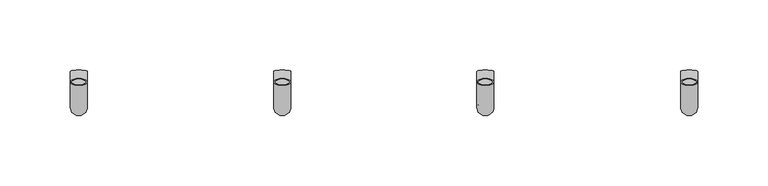
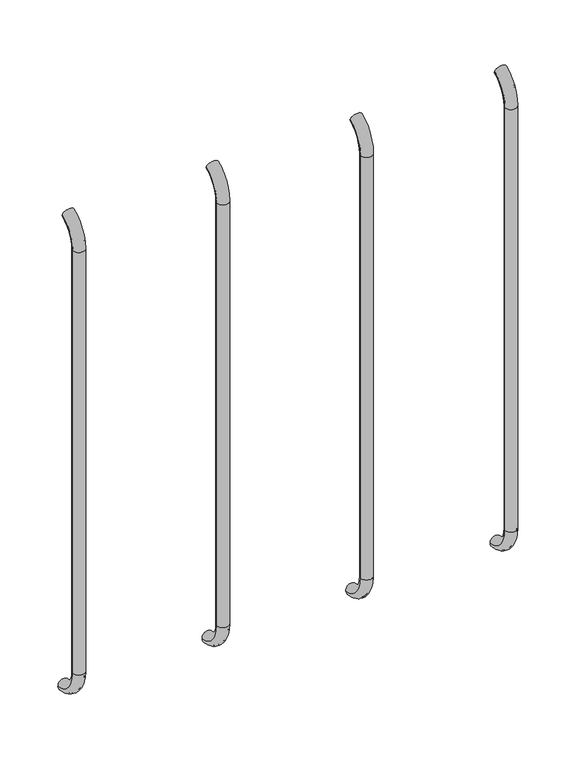
"""IFC4 building model written with IfcOpenShell, lengths in millimetres: beam geometry."""

from ifc_helpers import new_model, si_unit, point, frame, origin, place, context, project, spatial, polyline, circle_curve, ellipse_curve, trimmed, source, transform, mapped, element, save
from ifc_brep_helpers import plane_surface, cylinder_surface, revolved_surface, advanced_brep


def beam_747de0bf(model_context):
    return source(origin(), model_context, "Body", "AdvancedBrep", [
        advanced_brep(
        [(1286.5883695, 2382.596845, 1917.1908893), (1274.5883695, 2382.596845, 1917.1908893), (1285.5883695, 2382.596845, 1917.1908893), (1275.5883695, 2382.596845, 1917.1908893), (1285.5883695, 2364.5202281, 1889.6621238), (1275.5883695, 2364.5202281, 1889.6621238), (1286.5883695, 2364.5202281, 1889.6621238), (1274.5883695, 2364.5202281, 1889.6621238), (1275.5883695, 2364.5202281, 1440.7084898), (1285.5883695, 2364.5202281, 1440.7084898), (1274.5883695, 2364.5202281, 1440.7084898), (1286.5883695, 2364.5202281, 1440.7084898), (1286.5883695, 2390.1398042, 1411.0300146), (1274.5883695, 2390.1398042, 1411.0300146), (1285.5883695, 2390.1398042, 1411.0300146), (1275.5883695, 2390.1398042, 1411.0300146)],
        [
            (0, 1, circle_curve(frame((1280.5883695, 2382.596845, 1917.1908893), z_axis=(0.0, 0.9176255197351176, 0.3974461039321624), x_axis=(-1.0, 0.0, 0.0)), 6.0)),
            (1, 0, circle_curve(frame((1280.5883695, 2382.596845, 1917.1908893), z_axis=(0.0, 0.9176255197351176, 0.3974461039321624), x_axis=(-1.0, 0.0, 0.0)), 6.0)),
            (2, 3, circle_curve(frame((1280.5883695, 2382.596845, 1917.1908893), z_axis=(0.0, -0.9176255197351176, -0.3974461039321624), x_axis=(-1.0, 0.0, 0.0)), 5.0)),
            (3, 2, circle_curve(frame((1280.5883695, 2382.596845, 1917.1908893), z_axis=(0.0, -0.9176255197351176, -0.3974461039321624), x_axis=(-1.0, 0.0, 0.0)), 5.0)),
            (4, 2, circle_curve(frame((1285.5883695, 2394.5202281, 1889.6621238), z_axis=(-1.0, 0.0, 0.0), x_axis=(0.0, -0.3974461039321624, 0.9176255197351176)), 30.0)),
            (3, 5, circle_curve(frame((1275.5883695, 2394.5202281, 1889.6621238), z_axis=(1.0, 0.0, 0.0), x_axis=(0.0, -0.3974461039321624, 0.9176255197351176)), 30.0)),
            (5, 4, circle_curve(frame((1280.5883695, 2364.5202281, 1889.6621238), z_axis=(0.0, 0.0, -1.0), x_axis=(-1.0, 0.0, 0.0)), 5.0)),
            (4, 5, circle_curve(frame((1280.5883695, 2364.5202281, 1889.6621238), z_axis=(0.0, 0.0, -1.0), x_axis=(-1.0, 0.0, 0.0)), 5.0)),
            (6, 0, circle_curve(frame((1286.5883695, 2394.5202281, 1889.6621238), z_axis=(-1.0, 0.0, 0.0), x_axis=(0.0, -0.3974461039321624, 0.9176255197351176)), 30.0)),
            (1, 7, circle_curve(frame((1274.5883695, 2394.5202281, 1889.6621238), z_axis=(1.0, 0.0, 0.0), x_axis=(0.0, -0.3974461039321624, 0.9176255197351176)), 30.0)),
            (7, 6, circle_curve(frame((1280.5883695, 2364.5202281, 1889.6621238), z_axis=(0.0, 0.0, 1.0), x_axis=(-1.0, 0.0, 0.0)), 6.0)),
            (6, 7, circle_curve(frame((1280.5883695, 2364.5202281, 1889.6621238), z_axis=(0.0, 0.0, 1.0), x_axis=(-1.0, 0.0, 0.0)), 6.0)),
            (5, 8),
            (8, 9, circle_curve(frame((1280.5883695, 2364.5202281, 1440.7084898), z_axis=(0.0, 0.0, -1.0), x_axis=(-1.0, 0.0, 0.0)), 5.0)),
            (9, 4),
            (9, 8, circle_curve(frame((1280.5883695, 2364.5202281, 1440.7084898), z_axis=(0.0, 0.0, -1.0), x_axis=(-1.0, 0.0, 0.0)), 5.0)),
            (7, 10),
            (10, 11, circle_curve(frame((1280.5883695, 2364.5202281, 1440.7084898), z_axis=(0.0, 0.0, 1.0), x_axis=(-1.0, 0.0, 0.0)), 6.0)),
            (11, 6),
            (11, 10, circle_curve(frame((1280.5883695, 2364.5202281, 1440.7084898), z_axis=(0.0, 0.0, 1.0), x_axis=(-1.0, 0.0, 0.0)), 6.0)),
            (12, 13, circle_curve(frame((1280.5883695, 2390.1398042, 1411.0300146), z_axis=(0.0, 0.9892825047438852, -0.14601412879466394), x_axis=(-1.0, 0.0, 0.0)), 6.0)),
            (13, 12, circle_curve(frame((1280.5883695, 2390.1398042, 1411.0300146), z_axis=(0.0, 0.9892825047438852, -0.14601412879466394), x_axis=(-1.0, 0.0, 0.0)), 6.0)),
            (14, 15, circle_curve(frame((1280.5883695, 2390.1398042, 1411.0300146), z_axis=(0.0, -0.9892825047438852, 0.14601412879466394), x_axis=(-1.0, 0.0, 0.0)), 5.0)),
            (15, 14, circle_curve(frame((1280.5883695, 2390.1398042, 1411.0300146), z_axis=(0.0, -0.9892825047438852, 0.14601412879466394), x_axis=(-1.0, 0.0, 0.0)), 5.0)),
            (14, 9, circle_curve(frame((1285.5883695, 2394.5202281, 1440.7084898), z_axis=(-1.0, 0.0, 0.0), x_axis=(0.0, -1.0, 0.0)), 30.0)),
            (8, 15, circle_curve(frame((1275.5883695, 2394.5202281, 1440.7084898), z_axis=(1.0, 0.0, 0.0), x_axis=(0.0, -1.0, 0.0)), 30.0)),
            (12, 11, circle_curve(frame((1286.5883695, 2394.5202281, 1440.7084898), z_axis=(-1.0, 0.0, 0.0), x_axis=(0.0, -1.0, 0.0)), 30.0)),
            (10, 13, circle_curve(frame((1274.5883695, 2394.5202281, 1440.7084898), z_axis=(1.0, 0.0, 0.0), x_axis=(0.0, -1.0, 0.0)), 30.0)),
        ],
        [
            plane_surface(frame((1280.5883695, 2382.596845, 1917.1908893), z_axis=(0.0, 0.9176255197351176, 0.3974461039321624), x_axis=(-1.0, 0.0, 0.0))),
            revolved_surface(trimmed(ellipse_curve(frame((1280.5883695, 2382.596845, 1917.1908893), z_axis=(0.0, -0.9176255197351176, -0.3974461039321624), x_axis=(-1.0, 0.0, 0.0)), 5.0, 5.0), [point((1275.5883695, 2382.596845, 1917.1908893))], [point((1285.5883695, 2382.596845, 1917.1908893))], True, "CARTESIAN"), (1280.5883695, 2394.5202281, 1889.6621238), (1.0, 0.0, 0.0)),
            revolved_surface(trimmed(ellipse_curve(frame((1280.5883695, 2382.596845, 1917.1908893), z_axis=(0.0, -0.9176255197351176, -0.3974461039321624), x_axis=(-1.0, 0.0, 0.0)), 5.0, 5.0), [point((1285.5883695, 2382.596845, 1917.1908893))], [point((1275.5883695, 2382.596845, 1917.1908893))], True, "CARTESIAN"), (1280.5883695, 2394.5202281, 1889.6621238), (1.0, 0.0, 0.0)),
            revolved_surface(trimmed(ellipse_curve(frame((1280.5883695, 2382.596845, 1917.1908893), z_axis=(0.0, 0.9176255197351176, 0.3974461039321624), x_axis=(-1.0, 0.0, 0.0)), 6.0, 6.0), [point((1274.5883695, 2382.596845, 1917.1908893))], [point((1286.5883695, 2382.596845, 1917.1908893))], True, "CARTESIAN"), (1280.5883695, 2394.5202281, 1889.6621238), (1.0, 0.0, 0.0)),
            revolved_surface(trimmed(ellipse_curve(frame((1280.5883695, 2382.596845, 1917.1908893), z_axis=(0.0, 0.9176255197351176, 0.3974461039321624), x_axis=(-1.0, 0.0, 0.0)), 6.0, 6.0), [point((1286.5883695, 2382.596845, 1917.1908893))], [point((1274.5883695, 2382.596845, 1917.1908893))], True, "CARTESIAN"), (1280.5883695, 2394.5202281, 1889.6621238), (1.0, 0.0, 0.0)),
            revolved_surface(polyline([(1275.5883695, 2364.5202281, 1440.7084898), (1275.5883695, 2364.5202281, 1889.6621238)]), (1280.5883695, 2364.5202281, 1889.6621238), (0.0, 0.0, -1.0)),
            cylinder_surface(frame((1280.5883695, 2364.5202281, 1889.6621238), z_axis=(0.0, 0.0, 1.0), x_axis=(-1.0, 0.0, 0.0)), 6.0),
            plane_surface(frame((1280.5883695, 2390.1398042, 1411.0300146), z_axis=(0.0, 0.9892825047438852, -0.14601412879466397), x_axis=(-1.0, 0.0, 0.0))),
            revolved_surface(trimmed(ellipse_curve(frame((1280.5883695, 2364.5202281, 1440.7084898), z_axis=(0.0, 0.0, -1.0), x_axis=(-1.0, 0.0, 0.0)), 5.0, 5.0), [point((1275.5883695, 2364.5202281, 1440.7084898))], [point((1285.5883695, 2364.5202281, 1440.7084898))], True, "CARTESIAN"), (1280.5883695, 2394.5202281, 1440.7084898), (1.0, 0.0, 0.0)),
            revolved_surface(trimmed(ellipse_curve(frame((1280.5883695, 2364.5202281, 1440.7084898), z_axis=(0.0, 0.0, -1.0), x_axis=(-1.0, 0.0, 0.0)), 5.0, 5.0), [point((1285.5883695, 2364.5202281, 1440.7084898))], [point((1275.5883695, 2364.5202281, 1440.7084898))], True, "CARTESIAN"), (1280.5883695, 2394.5202281, 1440.7084898), (1.0, 0.0, 0.0)),
            revolved_surface(trimmed(ellipse_curve(frame((1280.5883695, 2364.5202281, 1440.7084898), z_axis=(0.0, 0.0, 1.0), x_axis=(-1.0, 0.0, 0.0)), 6.0, 6.0), [point((1274.5883695, 2364.5202281, 1440.7084898))], [point((1286.5883695, 2364.5202281, 1440.7084898))], True, "CARTESIAN"), (1280.5883695, 2394.5202281, 1440.7084898), (1.0, 0.0, 0.0)),
            revolved_surface(trimmed(ellipse_curve(frame((1280.5883695, 2364.5202281, 1440.7084898), z_axis=(0.0, 0.0, 1.0), x_axis=(-1.0, 0.0, 0.0)), 6.0, 6.0), [point((1286.5883695, 2364.5202281, 1440.7084898))], [point((1274.5883695, 2364.5202281, 1440.7084898))], True, "CARTESIAN"), (1280.5883695, 2394.5202281, 1440.7084898), (1.0, 0.0, 0.0)),
        ],
        [
            (0, [[1, 2], [3, 4]]),
            (1, [[5, -4, 6, 7]]),
            (2, [[-6, -3, -5, 8]]),
            (3, [[9, -2, 10, 11]]),
            (4, [[-10, -1, -9, 12]]),
            (5, [[-7, 13, 14, 15]]),
            (5, [[-8, -15, 16, -13]]),
            (6, [[-11, 17, 18, 19]]),
            (6, [[-12, -19, 20, -17]]),
            (7, [[21, 22], [23, 24]]),
            (8, [[25, -14, 26, -23]]),
            (9, [[-26, -16, -25, -24]]),
            (10, [[27, -18, 28, -21]]),
            (11, [[-28, -20, -27, -22]]),
        ],
    ),
        advanced_brep(
        [(1431.2758695, 2382.596845, 1917.1908893), (1419.2758695, 2382.596845, 1917.1908893), (1430.2758695, 2382.596845, 1917.1908893), (1420.2758695, 2382.596845, 1917.1908893), (1430.2758695, 2364.5202281, 1889.6621238), (1420.2758695, 2364.5202281, 1889.6621238), (1431.2758695, 2364.5202281, 1889.6621238), (1419.2758695, 2364.5202281, 1889.6621238), (1420.2758695, 2364.5202281, 1440.7084898), (1430.2758695, 2364.5202281, 1440.7084898), (1419.2758695, 2364.5202281, 1440.7084898), (1431.2758695, 2364.5202281, 1440.7084898), (1431.2758695, 2390.1398042, 1411.0300146), (1419.2758695, 2390.1398042, 1411.0300146), (1430.2758695, 2390.1398042, 1411.0300146), (1420.2758695, 2390.1398042, 1411.0300146)],
        [
            (0, 1, circle_curve(frame((1425.2758695, 2382.596845, 1917.1908893), z_axis=(0.0, 0.9176255197351176, 0.3974461039321624), x_axis=(-1.0, 0.0, 0.0)), 6.0)),
            (1, 0, circle_curve(frame((1425.2758695, 2382.596845, 1917.1908893), z_axis=(0.0, 0.9176255197351176, 0.3974461039321624), x_axis=(-1.0, 0.0, 0.0)), 6.0)),
            (2, 3, circle_curve(frame((1425.2758695, 2382.596845, 1917.1908893), z_axis=(0.0, -0.9176255197351176, -0.3974461039321624), x_axis=(-1.0, 0.0, 0.0)), 5.0)),
            (3, 2, circle_curve(frame((1425.2758695, 2382.596845, 1917.1908893), z_axis=(0.0, -0.9176255197351176, -0.3974461039321624), x_axis=(-1.0, 0.0, 0.0)), 5.0)),
            (4, 2, circle_curve(frame((1430.2758695, 2394.5202281, 1889.6621238), z_axis=(-1.0, 0.0, 0.0), x_axis=(0.0, -0.3974461039321624, 0.9176255197351176)), 30.0)),
            (3, 5, circle_curve(frame((1420.2758695, 2394.5202281, 1889.6621238), z_axis=(1.0, 0.0, 0.0), x_axis=(0.0, -0.3974461039321624, 0.9176255197351176)), 30.0)),
            (5, 4, circle_curve(frame((1425.2758695, 2364.5202281, 1889.6621238), z_axis=(0.0, 0.0, -1.0), x_axis=(-1.0, 0.0, 0.0)), 5.0)),
            (4, 5, circle_curve(frame((1425.2758695, 2364.5202281, 1889.6621238), z_axis=(0.0, 0.0, -1.0), x_axis=(-1.0, 0.0, 0.0)), 5.0)),
            (6, 0, circle_curve(frame((1431.2758695, 2394.5202281, 1889.6621238), z_axis=(-1.0, 0.0, 0.0), x_axis=(0.0, -0.3974461039321624, 0.9176255197351176)), 30.0)),
            (1, 7, circle_curve(frame((1419.2758695, 2394.5202281, 1889.6621238), z_axis=(1.0, 0.0, 0.0), x_axis=(0.0, -0.3974461039321624, 0.9176255197351176)), 30.0)),
            (7, 6, circle_curve(frame((1425.2758695, 2364.5202281, 1889.6621238), z_axis=(0.0, 0.0, 1.0), x_axis=(-1.0, 0.0, 0.0)), 6.0)),
            (6, 7, circle_curve(frame((1425.2758695, 2364.5202281, 1889.6621238), z_axis=(0.0, 0.0, 1.0), x_axis=(-1.0, 0.0, 0.0)), 6.0)),
            (5, 8),
            (8, 9, circle_curve(frame((1425.2758695, 2364.5202281, 1440.7084898), z_axis=(0.0, 0.0, -1.0), x_axis=(-1.0, 0.0, 0.0)), 5.0)),
            (9, 4),
            (9, 8, circle_curve(frame((1425.2758695, 2364.5202281, 1440.7084898), z_axis=(0.0, 0.0, -1.0), x_axis=(-1.0, 0.0, 0.0)), 5.0)),
            (7, 10),
            (10, 11, circle_curve(frame((1425.2758695, 2364.5202281, 1440.7084898), z_axis=(0.0, 0.0, 1.0), x_axis=(-1.0, 0.0, 0.0)), 6.0)),
            (11, 6),
            (11, 10, circle_curve(frame((1425.2758695, 2364.5202281, 1440.7084898), z_axis=(0.0, 0.0, 1.0), x_axis=(-1.0, 0.0, 0.0)), 6.0)),
            (12, 13, circle_curve(frame((1425.2758695, 2390.1398042, 1411.0300146), z_axis=(0.0, 0.9892825047438852, -0.14601412879466394), x_axis=(-1.0, 0.0, 0.0)), 6.0)),
            (13, 12, circle_curve(frame((1425.2758695, 2390.1398042, 1411.0300146), z_axis=(0.0, 0.9892825047438852, -0.14601412879466394), x_axis=(-1.0, 0.0, 0.0)), 6.0)),
            (14, 15, circle_curve(frame((1425.2758695, 2390.1398042, 1411.0300146), z_axis=(0.0, -0.9892825047438852, 0.14601412879466394), x_axis=(-1.0, 0.0, 0.0)), 5.0)),
            (15, 14, circle_curve(frame((1425.2758695, 2390.1398042, 1411.0300146), z_axis=(0.0, -0.9892825047438852, 0.14601412879466394), x_axis=(-1.0, 0.0, 0.0)), 5.0)),
            (14, 9, circle_curve(frame((1430.2758695, 2394.5202281, 1440.7084898), z_axis=(-1.0, 0.0, 0.0), x_axis=(0.0, -1.0, 0.0)), 30.0)),
            (8, 15, circle_curve(frame((1420.2758695, 2394.5202281, 1440.7084898), z_axis=(1.0, 0.0, 0.0), x_axis=(0.0, -1.0, 0.0)), 30.0)),
            (12, 11, circle_curve(frame((1431.2758695, 2394.5202281, 1440.7084898), z_axis=(-1.0, 0.0, 0.0), x_axis=(0.0, -1.0, 0.0)), 30.0)),
            (10, 13, circle_curve(frame((1419.2758695, 2394.5202281, 1440.7084898), z_axis=(1.0, 0.0, 0.0), x_axis=(0.0, -1.0, 0.0)), 30.0)),
        ],
        [
            plane_surface(frame((1425.2758695, 2382.596845, 1917.1908893), z_axis=(0.0, 0.9176255197351176, 0.3974461039321624), x_axis=(-1.0, 0.0, 0.0))),
            revolved_surface(trimmed(ellipse_curve(frame((1425.2758695, 2382.596845, 1917.1908893), z_axis=(0.0, -0.9176255197351176, -0.3974461039321624), x_axis=(-1.0, 0.0, 0.0)), 5.0, 5.0), [point((1420.2758695, 2382.596845, 1917.1908893))], [point((1430.2758695, 2382.596845, 1917.1908893))], True, "CARTESIAN"), (1425.2758695, 2394.5202281, 1889.6621238), (1.0, 0.0, 0.0)),
            revolved_surface(trimmed(ellipse_curve(frame((1425.2758695, 2382.596845, 1917.1908893), z_axis=(0.0, -0.9176255197351176, -0.3974461039321624), x_axis=(-1.0, 0.0, 0.0)), 5.0, 5.0), [point((1430.2758695, 2382.596845, 1917.1908893))], [point((1420.2758695, 2382.596845, 1917.1908893))], True, "CARTESIAN"), (1425.2758695, 2394.5202281, 1889.6621238), (1.0, 0.0, 0.0)),
            revolved_surface(trimmed(ellipse_curve(frame((1425.2758695, 2382.596845, 1917.1908893), z_axis=(0.0, 0.9176255197351176, 0.3974461039321624), x_axis=(-1.0, 0.0, 0.0)), 6.0, 6.0), [point((1419.2758695, 2382.596845, 1917.1908893))], [point((1431.2758695, 2382.596845, 1917.1908893))], True, "CARTESIAN"), (1425.2758695, 2394.5202281, 1889.6621238), (1.0, 0.0, 0.0)),
            revolved_surface(trimmed(ellipse_curve(frame((1425.2758695, 2382.596845, 1917.1908893), z_axis=(0.0, 0.9176255197351176, 0.3974461039321624), x_axis=(-1.0, 0.0, 0.0)), 6.0, 6.0), [point((1431.2758695, 2382.596845, 1917.1908893))], [point((1419.2758695, 2382.596845, 1917.1908893))], True, "CARTESIAN"), (1425.2758695, 2394.5202281, 1889.6621238), (1.0, 0.0, 0.0)),
            revolved_surface(polyline([(1420.2758695, 2364.5202281, 1440.7084898), (1420.2758695, 2364.5202281, 1889.6621238)]), (1425.2758695, 2364.5202281, 1889.6621238), (0.0, 0.0, -1.0)),
            cylinder_surface(frame((1425.2758695, 2364.5202281, 1889.6621238), z_axis=(0.0, 0.0, 1.0), x_axis=(-1.0, 0.0, 0.0)), 6.0),
            plane_surface(frame((1425.2758695, 2390.1398042, 1411.0300146), z_axis=(0.0, 0.9892825047438852, -0.14601412879466397), x_axis=(-1.0, 0.0, 0.0))),
            revolved_surface(trimmed(ellipse_curve(frame((1425.2758695, 2364.5202281, 1440.7084898), z_axis=(0.0, 0.0, -1.0), x_axis=(-1.0, 0.0, 0.0)), 5.0, 5.0), [point((1420.2758695, 2364.5202281, 1440.7084898))], [point((1430.2758695, 2364.5202281, 1440.7084898))], True, "CARTESIAN"), (1425.2758695, 2394.5202281, 1440.7084898), (1.0, 0.0, 0.0)),
            revolved_surface(trimmed(ellipse_curve(frame((1425.2758695, 2364.5202281, 1440.7084898), z_axis=(0.0, 0.0, -1.0), x_axis=(-1.0, 0.0, 0.0)), 5.0, 5.0), [point((1430.2758695, 2364.5202281, 1440.7084898))], [point((1420.2758695, 2364.5202281, 1440.7084898))], True, "CARTESIAN"), (1425.2758695, 2394.5202281, 1440.7084898), (1.0, 0.0, 0.0)),
            revolved_surface(trimmed(ellipse_curve(frame((1425.2758695, 2364.5202281, 1440.7084898), z_axis=(0.0, 0.0, 1.0), x_axis=(-1.0, 0.0, 0.0)), 6.0, 6.0), [point((1419.2758695, 2364.5202281, 1440.7084898))], [point((1431.2758695, 2364.5202281, 1440.7084898))], True, "CARTESIAN"), (1425.2758695, 2394.5202281, 1440.7084898), (1.0, 0.0, 0.0)),
            revolved_surface(trimmed(ellipse_curve(frame((1425.2758695, 2364.5202281, 1440.7084898), z_axis=(0.0, 0.0, 1.0), x_axis=(-1.0, 0.0, 0.0)), 6.0, 6.0), [point((1431.2758695, 2364.5202281, 1440.7084898))], [point((1419.2758695, 2364.5202281, 1440.7084898))], True, "CARTESIAN"), (1425.2758695, 2394.5202281, 1440.7084898), (1.0, 0.0, 0.0)),
        ],
        [
            (0, [[1, 2], [3, 4]]),
            (1, [[5, -4, 6, 7]]),
            (2, [[-6, -3, -5, 8]]),
            (3, [[9, -2, 10, 11]]),
            (4, [[-10, -1, -9, 12]]),
            (5, [[-7, 13, 14, 15]]),
            (5, [[-8, -15, 16, -13]]),
            (6, [[-11, 17, 18, 19]]),
            (6, [[-12, -19, 20, -17]]),
            (7, [[21, 22], [23, 24]]),
            (8, [[25, -14, 26, -23]]),
            (9, [[-26, -16, -25, -24]]),
            (10, [[27, -18, 28, -21]]),
            (11, [[-28, -20, -27, -22]]),
        ],
    ),
        advanced_brep(
        [(1575.6508695, 2382.596845, 1917.1908893), (1563.6508695, 2382.596845, 1917.1908893), (1574.6508695, 2382.596845, 1917.1908893), (1564.6508695, 2382.596845, 1917.1908893), (1574.6508695, 2364.5202281, 1889.6621238), (1564.6508695, 2364.5202281, 1889.6621238), (1575.6508695, 2364.5202281, 1889.6621238), (1563.6508695, 2364.5202281, 1889.6621238), (1564.6508695, 2364.5202281, 1440.7084898), (1574.6508695, 2364.5202281, 1440.7084898), (1563.6508695, 2364.5202281, 1440.7084898), (1575.6508695, 2364.5202281, 1440.7084898), (1575.6508695, 2390.1398042, 1411.0300146), (1563.6508695, 2390.1398042, 1411.0300146), (1574.6508695, 2390.1398042, 1411.0300146), (1564.6508695, 2390.1398042, 1411.0300146)],
        [
            (0, 1, circle_curve(frame((1569.6508695, 2382.596845, 1917.1908893), z_axis=(0.0, 0.9176255197351176, 0.3974461039321624), x_axis=(-1.0, 0.0, 0.0)), 6.0)),
            (1, 0, circle_curve(frame((1569.6508695, 2382.596845, 1917.1908893), z_axis=(0.0, 0.9176255197351176, 0.3974461039321624), x_axis=(-1.0, 0.0, 0.0)), 6.0)),
            (2, 3, circle_curve(frame((1569.6508695, 2382.596845, 1917.1908893), z_axis=(0.0, -0.9176255197351176, -0.3974461039321624), x_axis=(-1.0, 0.0, 0.0)), 5.0)),
            (3, 2, circle_curve(frame((1569.6508695, 2382.596845, 1917.1908893), z_axis=(0.0, -0.9176255197351176, -0.3974461039321624), x_axis=(-1.0, 0.0, 0.0)), 5.0)),
            (4, 2, circle_curve(frame((1574.6508695, 2394.5202281, 1889.6621238), z_axis=(-1.0, 0.0, 0.0), x_axis=(0.0, -0.3974461039321624, 0.9176255197351176)), 30.0)),
            (3, 5, circle_curve(frame((1564.6508695, 2394.5202281, 1889.6621238), z_axis=(1.0, 0.0, 0.0), x_axis=(0.0, -0.3974461039321624, 0.9176255197351176)), 30.0)),
            (5, 4, circle_curve(frame((1569.6508695, 2364.5202281, 1889.6621238), z_axis=(0.0, 0.0, -1.0), x_axis=(-1.0, 0.0, 0.0)), 5.0)),
            (4, 5, circle_curve(frame((1569.6508695, 2364.5202281, 1889.6621238), z_axis=(0.0, 0.0, -1.0), x_axis=(-1.0, 0.0, 0.0)), 5.0)),
            (6, 0, circle_curve(frame((1575.6508695, 2394.5202281, 1889.6621238), z_axis=(-1.0, 0.0, 0.0), x_axis=(0.0, -0.3974461039321624, 0.9176255197351176)), 30.0)),
            (1, 7, circle_curve(frame((1563.6508695, 2394.5202281, 1889.6621238), z_axis=(1.0, 0.0, 0.0), x_axis=(0.0, -0.3974461039321624, 0.9176255197351176)), 30.0)),
            (7, 6, circle_curve(frame((1569.6508695, 2364.5202281, 1889.6621238), z_axis=(0.0, 0.0, 1.0), x_axis=(-1.0, 0.0, 0.0)), 6.0)),
            (6, 7, circle_curve(frame((1569.6508695, 2364.5202281, 1889.6621238), z_axis=(0.0, 0.0, 1.0), x_axis=(-1.0, 0.0, 0.0)), 6.0)),
            (5, 8),
            (8, 9, circle_curve(frame((1569.6508695, 2364.5202281, 1440.7084898), z_axis=(0.0, 0.0, -1.0), x_axis=(-1.0, 0.0, 0.0)), 5.0)),
            (9, 4),
            (9, 8, circle_curve(frame((1569.6508695, 2364.5202281, 1440.7084898), z_axis=(0.0, 0.0, -1.0), x_axis=(-1.0, 0.0, 0.0)), 5.0)),
            (7, 10),
            (10, 11, circle_curve(frame((1569.6508695, 2364.5202281, 1440.7084898), z_axis=(0.0, 0.0, 1.0), x_axis=(-1.0, 0.0, 0.0)), 6.0)),
            (11, 6),
            (11, 10, circle_curve(frame((1569.6508695, 2364.5202281, 1440.7084898), z_axis=(0.0, 0.0, 1.0), x_axis=(-1.0, 0.0, 0.0)), 6.0)),
            (12, 13, circle_curve(frame((1569.6508695, 2390.1398042, 1411.0300146), z_axis=(0.0, 0.9892825047438852, -0.14601412879466394), x_axis=(-1.0, 0.0, 0.0)), 6.0)),
            (13, 12, circle_curve(frame((1569.6508695, 2390.1398042, 1411.0300146), z_axis=(0.0, 0.9892825047438852, -0.14601412879466394), x_axis=(-1.0, 0.0, 0.0)), 6.0)),
            (14, 15, circle_curve(frame((1569.6508695, 2390.1398042, 1411.0300146), z_axis=(0.0, -0.9892825047438852, 0.14601412879466394), x_axis=(-1.0, 0.0, 0.0)), 5.0)),
            (15, 14, circle_curve(frame((1569.6508695, 2390.1398042, 1411.0300146), z_axis=(0.0, -0.9892825047438852, 0.14601412879466394), x_axis=(-1.0, 0.0, 0.0)), 5.0)),
            (14, 9, circle_curve(frame((1574.6508695, 2394.5202281, 1440.7084898), z_axis=(-1.0, 0.0, 0.0), x_axis=(0.0, -1.0, 0.0)), 30.0)),
            (8, 15, circle_curve(frame((1564.6508695, 2394.5202281, 1440.7084898), z_axis=(1.0, 0.0, 0.0), x_axis=(0.0, -1.0, 0.0)), 30.0)),
            (12, 11, circle_curve(frame((1575.6508695, 2394.5202281, 1440.7084898), z_axis=(-1.0, 0.0, 0.0), x_axis=(0.0, -1.0, 0.0)), 30.0)),
            (10, 13, circle_curve(frame((1563.6508695, 2394.5202281, 1440.7084898), z_axis=(1.0, 0.0, 0.0), x_axis=(0.0, -1.0, 0.0)), 30.0)),
        ],
        [
            plane_surface(frame((1569.6508695, 2382.596845, 1917.1908893), z_axis=(0.0, 0.9176255197351176, 0.3974461039321624), x_axis=(-1.0, 0.0, 0.0))),
            revolved_surface(trimmed(ellipse_curve(frame((1569.6508695, 2382.596845, 1917.1908893), z_axis=(0.0, -0.9176255197351176, -0.3974461039321624), x_axis=(-1.0, 0.0, 0.0)), 5.0, 5.0), [point((1564.6508695, 2382.596845, 1917.1908893))], [point((1574.6508695, 2382.596845, 1917.1908893))], True, "CARTESIAN"), (1569.6508695, 2394.5202281, 1889.6621238), (1.0, 0.0, 0.0)),
            revolved_surface(trimmed(ellipse_curve(frame((1569.6508695, 2382.596845, 1917.1908893), z_axis=(0.0, -0.9176255197351176, -0.3974461039321624), x_axis=(-1.0, 0.0, 0.0)), 5.0, 5.0), [point((1574.6508695, 2382.596845, 1917.1908893))], [point((1564.6508695, 2382.596845, 1917.1908893))], True, "CARTESIAN"), (1569.6508695, 2394.5202281, 1889.6621238), (1.0, 0.0, 0.0)),
            revolved_surface(trimmed(ellipse_curve(frame((1569.6508695, 2382.596845, 1917.1908893), z_axis=(0.0, 0.9176255197351176, 0.3974461039321624), x_axis=(-1.0, 0.0, 0.0)), 6.0, 6.0), [point((1563.6508695, 2382.596845, 1917.1908893))], [point((1575.6508695, 2382.596845, 1917.1908893))], True, "CARTESIAN"), (1569.6508695, 2394.5202281, 1889.6621238), (1.0, 0.0, 0.0)),
            revolved_surface(trimmed(ellipse_curve(frame((1569.6508695, 2382.596845, 1917.1908893), z_axis=(0.0, 0.9176255197351176, 0.3974461039321624), x_axis=(-1.0, 0.0, 0.0)), 6.0, 6.0), [point((1575.6508695, 2382.596845, 1917.1908893))], [point((1563.6508695, 2382.596845, 1917.1908893))], True, "CARTESIAN"), (1569.6508695, 2394.5202281, 1889.6621238), (1.0, 0.0, 0.0)),
            revolved_surface(polyline([(1564.6508695, 2364.5202281, 1440.7084898), (1564.6508695, 2364.5202281, 1889.6621238)]), (1569.6508695, 2364.5202281, 1889.6621238), (0.0, 0.0, -1.0)),
            cylinder_surface(frame((1569.6508695, 2364.5202281, 1889.6621238), z_axis=(0.0, 0.0, 1.0), x_axis=(-1.0, 0.0, 0.0)), 6.0),
            plane_surface(frame((1569.6508695, 2390.1398042, 1411.0300146), z_axis=(0.0, 0.9892825047438852, -0.14601412879466397), x_axis=(-1.0, 0.0, 0.0))),
            revolved_surface(trimmed(ellipse_curve(frame((1569.6508695, 2364.5202281, 1440.7084898), z_axis=(0.0, 0.0, -1.0), x_axis=(-1.0, 0.0, 0.0)), 5.0, 5.0), [point((1564.6508695, 2364.5202281, 1440.7084898))], [point((1574.6508695, 2364.5202281, 1440.7084898))], True, "CARTESIAN"), (1569.6508695, 2394.5202281, 1440.7084898), (1.0, 0.0, 0.0)),
            revolved_surface(trimmed(ellipse_curve(frame((1569.6508695, 2364.5202281, 1440.7084898), z_axis=(0.0, 0.0, -1.0), x_axis=(-1.0, 0.0, 0.0)), 5.0, 5.0), [point((1574.6508695, 2364.5202281, 1440.7084898))], [point((1564.6508695, 2364.5202281, 1440.7084898))], True, "CARTESIAN"), (1569.6508695, 2394.5202281, 1440.7084898), (1.0, 0.0, 0.0)),
            revolved_surface(trimmed(ellipse_curve(frame((1569.6508695, 2364.5202281, 1440.7084898), z_axis=(0.0, 0.0, 1.0), x_axis=(-1.0, 0.0, 0.0)), 6.0, 6.0), [point((1563.6508695, 2364.5202281, 1440.7084898))], [point((1575.6508695, 2364.5202281, 1440.7084898))], True, "CARTESIAN"), (1569.6508695, 2394.5202281, 1440.7084898), (1.0, 0.0, 0.0)),
            revolved_surface(trimmed(ellipse_curve(frame((1569.6508695, 2364.5202281, 1440.7084898), z_axis=(0.0, 0.0, 1.0), x_axis=(-1.0, 0.0, 0.0)), 6.0, 6.0), [point((1575.6508695, 2364.5202281, 1440.7084898))], [point((1563.6508695, 2364.5202281, 1440.7084898))], True, "CARTESIAN"), (1569.6508695, 2394.5202281, 1440.7084898), (1.0, 0.0, 0.0)),
        ],
        [
            (0, [[1, 2], [3, 4]]),
            (1, [[5, -4, 6, 7]]),
            (2, [[-6, -3, -5, 8]]),
            (3, [[9, -2, 10, 11]]),
            (4, [[-10, -1, -9, 12]]),
            (5, [[-7, 13, 14, 15]]),
            (5, [[-8, -15, 16, -13]]),
            (6, [[-11, 17, 18, 19]]),
            (6, [[-12, -19, 20, -17]]),
            (7, [[21, 22], [23, 24]]),
            (8, [[25, -14, 26, -23]]),
            (9, [[-26, -16, -25, -24]]),
            (10, [[27, -18, 28, -21]]),
            (11, [[-28, -20, -27, -22]]),
        ],
    ),
        advanced_brep(
        [(1720.6508695, 2382.596845, 1917.1908893), (1708.6508695, 2382.596845, 1917.1908893), (1719.6508695, 2382.596845, 1917.1908893), (1709.6508695, 2382.596845, 1917.1908893), (1719.6508695, 2364.5202281, 1889.6621238), (1709.6508695, 2364.5202281, 1889.6621238), (1720.6508695, 2364.5202281, 1889.6621238), (1708.6508695, 2364.5202281, 1889.6621238), (1709.6508695, 2364.5202281, 1440.7084898), (1719.6508695, 2364.5202281, 1440.7084898), (1708.6508695, 2364.5202281, 1440.7084898), (1720.6508695, 2364.5202281, 1440.7084898), (1720.6508695, 2390.1398042, 1411.0300146), (1708.6508695, 2390.1398042, 1411.0300146), (1719.6508695, 2390.1398042, 1411.0300146), (1709.6508695, 2390.1398042, 1411.0300146)],
        [
            (0, 1, circle_curve(frame((1714.6508695, 2382.596845, 1917.1908893), z_axis=(0.0, 0.9176255197351176, 0.3974461039321624), x_axis=(-1.0, 0.0, 0.0)), 6.0)),
            (1, 0, circle_curve(frame((1714.6508695, 2382.596845, 1917.1908893), z_axis=(0.0, 0.9176255197351176, 0.3974461039321624), x_axis=(-1.0, 0.0, 0.0)), 6.0)),
            (2, 3, circle_curve(frame((1714.6508695, 2382.596845, 1917.1908893), z_axis=(0.0, -0.9176255197351176, -0.3974461039321624), x_axis=(-1.0, 0.0, 0.0)), 5.0)),
            (3, 2, circle_curve(frame((1714.6508695, 2382.596845, 1917.1908893), z_axis=(0.0, -0.9176255197351176, -0.3974461039321624), x_axis=(-1.0, 0.0, 0.0)), 5.0)),
            (4, 2, circle_curve(frame((1719.6508695, 2394.5202281, 1889.6621238), z_axis=(-1.0, 0.0, 0.0), x_axis=(0.0, -0.3974461039321624, 0.9176255197351176)), 30.0)),
            (3, 5, circle_curve(frame((1709.6508695, 2394.5202281, 1889.6621238), z_axis=(1.0, 0.0, 0.0), x_axis=(0.0, -0.3974461039321624, 0.9176255197351176)), 30.0)),
            (5, 4, circle_curve(frame((1714.6508695, 2364.5202281, 1889.6621238), z_axis=(0.0, 0.0, -1.0), x_axis=(-1.0, 0.0, 0.0)), 5.0)),
            (4, 5, circle_curve(frame((1714.6508695, 2364.5202281, 1889.6621238), z_axis=(0.0, 0.0, -1.0), x_axis=(-1.0, 0.0, 0.0)), 5.0)),
            (6, 0, circle_curve(frame((1720.6508695, 2394.5202281, 1889.6621238), z_axis=(-1.0, 0.0, 0.0), x_axis=(0.0, -0.3974461039321624, 0.9176255197351176)), 30.0)),
            (1, 7, circle_curve(frame((1708.6508695, 2394.5202281, 1889.6621238), z_axis=(1.0, 0.0, 0.0), x_axis=(0.0, -0.3974461039321624, 0.9176255197351176)), 30.0)),
            (7, 6, circle_curve(frame((1714.6508695, 2364.5202281, 1889.6621238), z_axis=(0.0, 0.0, 1.0), x_axis=(-1.0, 0.0, 0.0)), 6.0)),
            (6, 7, circle_curve(frame((1714.6508695, 2364.5202281, 1889.6621238), z_axis=(0.0, 0.0, 1.0), x_axis=(-1.0, 0.0, 0.0)), 6.0)),
            (5, 8),
            (8, 9, circle_curve(frame((1714.6508695, 2364.5202281, 1440.7084898), z_axis=(0.0, 0.0, -1.0), x_axis=(-1.0, 0.0, 0.0)), 5.0)),
            (9, 4),
            (9, 8, circle_curve(frame((1714.6508695, 2364.5202281, 1440.7084898), z_axis=(0.0, 0.0, -1.0), x_axis=(-1.0, 0.0, 0.0)), 5.0)),
            (7, 10),
            (10, 11, circle_curve(frame((1714.6508695, 2364.5202281, 1440.7084898), z_axis=(0.0, 0.0, 1.0), x_axis=(-1.0, 0.0, 0.0)), 6.0)),
            (11, 6),
            (11, 10, circle_curve(frame((1714.6508695, 2364.5202281, 1440.7084898), z_axis=(0.0, 0.0, 1.0), x_axis=(-1.0, 0.0, 0.0)), 6.0)),
            (12, 13, circle_curve(frame((1714.6508695, 2390.1398042, 1411.0300146), z_axis=(0.0, 0.9892825047438852, -0.14601412879466394), x_axis=(-1.0, 0.0, 0.0)), 6.0)),
            (13, 12, circle_curve(frame((1714.6508695, 2390.1398042, 1411.0300146), z_axis=(0.0, 0.9892825047438852, -0.14601412879466394), x_axis=(-1.0, 0.0, 0.0)), 6.0)),
            (14, 15, circle_curve(frame((1714.6508695, 2390.1398042, 1411.0300146), z_axis=(0.0, -0.9892825047438852, 0.14601412879466394), x_axis=(-1.0, 0.0, 0.0)), 5.0)),
            (15, 14, circle_curve(frame((1714.6508695, 2390.1398042, 1411.0300146), z_axis=(0.0, -0.9892825047438852, 0.14601412879466394), x_axis=(-1.0, 0.0, 0.0)), 5.0)),
            (14, 9, circle_curve(frame((1719.6508695, 2394.5202281, 1440.7084898), z_axis=(-1.0, 0.0, 0.0), x_axis=(0.0, -1.0, 0.0)), 30.0)),
            (8, 15, circle_curve(frame((1709.6508695, 2394.5202281, 1440.7084898), z_axis=(1.0, 0.0, 0.0), x_axis=(0.0, -1.0, 0.0)), 30.0)),
            (12, 11, circle_curve(frame((1720.6508695, 2394.5202281, 1440.7084898), z_axis=(-1.0, 0.0, 0.0), x_axis=(0.0, -1.0, 0.0)), 30.0)),
            (10, 13, circle_curve(frame((1708.6508695, 2394.5202281, 1440.7084898), z_axis=(1.0, 0.0, 0.0), x_axis=(0.0, -1.0, 0.0)), 30.0)),
        ],
        [
            plane_surface(frame((1714.6508695, 2382.596845, 1917.1908893), z_axis=(0.0, 0.9176255197351176, 0.3974461039321624), x_axis=(-1.0, 0.0, 0.0))),
            revolved_surface(trimmed(ellipse_curve(frame((1714.6508695, 2382.596845, 1917.1908893), z_axis=(0.0, -0.9176255197351176, -0.3974461039321624), x_axis=(-1.0, 0.0, 0.0)), 5.0, 5.0), [point((1709.6508695, 2382.596845, 1917.1908893))], [point((1719.6508695, 2382.596845, 1917.1908893))], True, "CARTESIAN"), (1714.6508695, 2394.5202281, 1889.6621238), (1.0, 0.0, 0.0)),
            revolved_surface(trimmed(ellipse_curve(frame((1714.6508695, 2382.596845, 1917.1908893), z_axis=(0.0, -0.9176255197351176, -0.3974461039321624), x_axis=(-1.0, 0.0, 0.0)), 5.0, 5.0), [point((1719.6508695, 2382.596845, 1917.1908893))], [point((1709.6508695, 2382.596845, 1917.1908893))], True, "CARTESIAN"), (1714.6508695, 2394.5202281, 1889.6621238), (1.0, 0.0, 0.0)),
            revolved_surface(trimmed(ellipse_curve(frame((1714.6508695, 2382.596845, 1917.1908893), z_axis=(0.0, 0.9176255197351176, 0.3974461039321624), x_axis=(-1.0, 0.0, 0.0)), 6.0, 6.0), [point((1708.6508695, 2382.596845, 1917.1908893))], [point((1720.6508695, 2382.596845, 1917.1908893))], True, "CARTESIAN"), (1714.6508695, 2394.5202281, 1889.6621238), (1.0, 0.0, 0.0)),
            revolved_surface(trimmed(ellipse_curve(frame((1714.6508695, 2382.596845, 1917.1908893), z_axis=(0.0, 0.9176255197351176, 0.3974461039321624), x_axis=(-1.0, 0.0, 0.0)), 6.0, 6.0), [point((1720.6508695, 2382.596845, 1917.1908893))], [point((1708.6508695, 2382.596845, 1917.1908893))], True, "CARTESIAN"), (1714.6508695, 2394.5202281, 1889.6621238), (1.0, 0.0, 0.0)),
            revolved_surface(polyline([(1709.6508695, 2364.5202281, 1440.7084898), (1709.6508695, 2364.5202281, 1889.6621238)]), (1714.6508695, 2364.5202281, 1889.6621238), (0.0, 0.0, -1.0)),
            cylinder_surface(frame((1714.6508695, 2364.5202281, 1889.6621238), z_axis=(0.0, 0.0, 1.0), x_axis=(-1.0, 0.0, 0.0)), 6.0),
            plane_surface(frame((1714.6508695, 2390.1398042, 1411.0300146), z_axis=(0.0, 0.9892825047438852, -0.14601412879466397), x_axis=(-1.0, 0.0, 0.0))),
            revolved_surface(trimmed(ellipse_curve(frame((1714.6508695, 2364.5202281, 1440.7084898), z_axis=(0.0, 0.0, -1.0), x_axis=(-1.0, 0.0, 0.0)), 5.0, 5.0), [point((1709.6508695, 2364.5202281, 1440.7084898))], [point((1719.6508695, 2364.5202281, 1440.7084898))], True, "CARTESIAN"), (1714.6508695, 2394.5202281, 1440.7084898), (1.0, 0.0, 0.0)),
            revolved_surface(trimmed(ellipse_curve(frame((1714.6508695, 2364.5202281, 1440.7084898), z_axis=(0.0, 0.0, -1.0), x_axis=(-1.0, 0.0, 0.0)), 5.0, 5.0), [point((1719.6508695, 2364.5202281, 1440.7084898))], [point((1709.6508695, 2364.5202281, 1440.7084898))], True, "CARTESIAN"), (1714.6508695, 2394.5202281, 1440.7084898), (1.0, 0.0, 0.0)),
            revolved_surface(trimmed(ellipse_curve(frame((1714.6508695, 2364.5202281, 1440.7084898), z_axis=(0.0, 0.0, 1.0), x_axis=(-1.0, 0.0, 0.0)), 6.0, 6.0), [point((1708.6508695, 2364.5202281, 1440.7084898))], [point((1720.6508695, 2364.5202281, 1440.7084898))], True, "CARTESIAN"), (1714.6508695, 2394.5202281, 1440.7084898), (1.0, 0.0, 0.0)),
            revolved_surface(trimmed(ellipse_curve(frame((1714.6508695, 2364.5202281, 1440.7084898), z_axis=(0.0, 0.0, 1.0), x_axis=(-1.0, 0.0, 0.0)), 6.0, 6.0), [point((1720.6508695, 2364.5202281, 1440.7084898))], [point((1708.6508695, 2364.5202281, 1440.7084898))], True, "CARTESIAN"), (1714.6508695, 2394.5202281, 1440.7084898), (1.0, 0.0, 0.0)),
        ],
        [
            (0, [[1, 2], [3, 4]]),
            (1, [[5, -4, 6, 7]]),
            (2, [[-6, -3, -5, 8]]),
            (3, [[9, -2, 10, 11]]),
            (4, [[-10, -1, -9, 12]]),
            (5, [[-7, 13, 14, 15]]),
            (5, [[-8, -15, 16, -13]]),
            (6, [[-11, 17, 18, 19]]),
            (6, [[-12, -19, 20, -17]]),
            (7, [[21, 22], [23, 24]]),
            (8, [[25, -14, 26, -23]]),
            (9, [[-26, -16, -25, -24]]),
            (10, [[27, -18, 28, -21]]),
            (11, [[-28, -20, -27, -22]]),
        ],
    ),
    ])


if __name__ == "__main__":
    model = new_model("IFC4")
    model_context = context("Model", 3, world=origin())
    ifc_project = project(units=[si_unit("LENGTHUNIT", "METRE", prefix="MILLI")], contexts=[model_context])
    site = spatial("IfcSite", under=ifc_project)
    building = spatial("IfcBuilding", under=site)
    placement = place(None, origin())
    beam_shape = beam_747de0bf(model_context)
    element("IfcBeam", 1, at=placement, inside=building, context=model_context, shape_type="MappedRepresentation", body=[
        mapped(beam_shape, transform((0.0, 0.0, 0.0), x_axis=(1.0, 0.0, 0.0), y_axis=(0.0, 1.0, 0.0), z_axis=(0.0, 0.0, 1.0))),
    ])
    save(model, "model.ifc")
